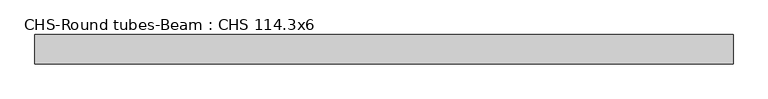
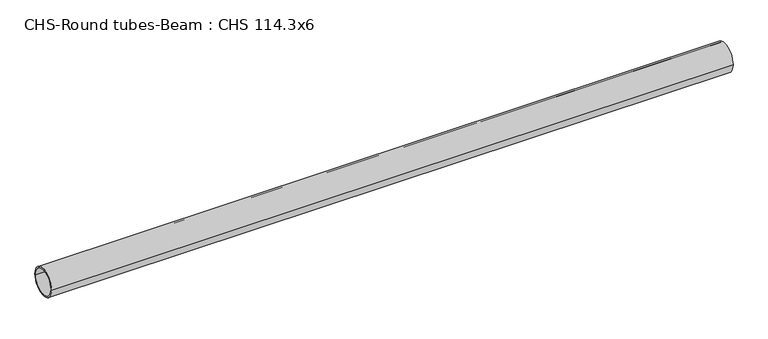
"""IFC4 building model written with IfcOpenShell, lengths in millimetres: beam geometry, CHS-Round tubes-Beam : CHS 114.3x6."""

from ifc_helpers import new_model, si_unit, point, frame, origin, origin_2d, place, context, project, spatial, circle_curve, trimmed, segment, composite_curve, outline, extrude, source, transform, mapped, element, save


def chs_round_tubes_beam_chs_114_3x6_249b7bda(model_context):
    return source(origin(), model_context, "Body", "SweptSolid", [
        extrude(outline(composite_curve([segment(trimmed(circle_curve(origin_2d(), 57.15), [point((57.15, 0.0))], [point((-57.15, 0.0))], False, "CARTESIAN"), True, "CONTINUOUS"), segment(trimmed(circle_curve(origin_2d(), 57.15), [point((-57.15, 0.0))], [point((57.15, 0.0))], False, "CARTESIAN"), True, "CONTINUOUS")], self_intersect=False), holes=[composite_curve([segment(trimmed(circle_curve(origin_2d(), 51.15), [point((51.15, 0.0))], [point((-51.15, 0.0))], True, "CARTESIAN"), True, "CONTINUOUS"), segment(trimmed(circle_curve(origin_2d(), 51.15), [point((-51.15, 0.0))], [point((51.15, 0.0))], True, "CARTESIAN"), True, "CONTINUOUS")], self_intersect=False)]), frame((-1290.1798743, 0.0, 0.0), z_axis=(1.0, 0.0, 0.0), x_axis=(0.0, 1.0, 0.0)), (0.0, 0.0, 1.0), 2722.6178165),
    ])


if __name__ == "__main__":
    model = new_model("IFC4")
    model_context = context("Model", 3, world=origin())
    ifc_project = project(units=[si_unit("LENGTHUNIT", "METRE", prefix="MILLI")], contexts=[model_context])
    site = spatial("IfcSite", under=ifc_project)
    building = spatial("IfcBuilding", under=site)
    placement = place(None, origin())
    chs_round_tubes_beam_chs_114_3x6_shape = chs_round_tubes_beam_chs_114_3x6_249b7bda(model_context)
    element("IfcBeam", 1, ObjectType="CHS-Round tubes-Beam : CHS 114.3x6", at=placement, inside=building, context=model_context, shape_type="MappedRepresentation", body=[
        mapped(chs_round_tubes_beam_chs_114_3x6_shape, transform((0.0, 0.0, 0.0), x_axis=(1.0, 0.0, 0.0), y_axis=(0.0, 1.0, 0.0), z_axis=(0.0, 0.0, 1.0))),
    ])
    save(model, "model.ifc")
